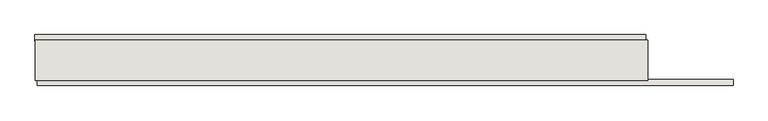
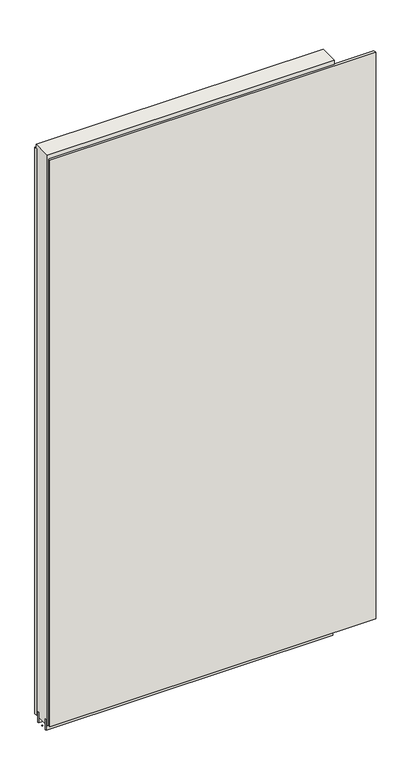
"""IFC4 building model written with IfcOpenShell, lengths in millimetres: wall geometry."""

from ifc_helpers import new_model, si_unit, frame, origin, place, context, project, spatial, polyline, outline, extrude, source, transform, mapped, element, save


def wall_6e6425ee(model_context):
    return source(origin(), model_context, "Body", "SweptSolid", [
        extrude(outline(polyline([(66737.4594382, -39414.4636398), (66739.9994382, -39414.4636398), (66739.9994382, -39417.0036398), (66737.4594382, -39417.0036398), (66737.4594382, -39414.4636398)])), frame((0.0, 0.0, 4419.6), z_axis=(0.0, 0.0, 1.0), x_axis=(1.0, 0.0, 0.0)), (0.0, 0.0, 1.0), 2.54),
        extrude(outline(polyline([(68126.0735393, -39466.5336398), (66741.9237295, -39466.5336398), (66741.9237295, -39453.8336398), (68126.0735393, -39453.8336398), (68126.0735393, -39466.5336398)])), frame((0.0, 0.0, 4445.0), z_axis=(0.0, 0.0, 1.0), x_axis=(1.0, 0.0, 0.0)), (0.0, 0.0, 1.0), 2545.0498756),
        extrude(outline(polyline([(66736.9901224, -39364.9336398), (67952.1901304, -39364.9336398), (67952.1901304, -39377.6336398), (66736.9901224, -39377.6336398), (66736.9901224, -39364.9336398)])), frame((0.0, 0.0, 4445.0), z_axis=(0.0, 0.0, 1.0), x_axis=(1.0, 0.0, 0.0)), (0.0, 0.0, 1.0), 2545.0498756),
        extrude(outline(polyline([(66737.4581936, -39440.8142856), (67956.6581936, -39440.8142856), (67956.6581936, -39445.8961398), (66737.4581936, -39445.8961398), (66737.4581936, -39440.8142856)])), frame((0.0, 0.0, 4418.6602), z_axis=(0.0, 0.0, 1.0), x_axis=(1.0, 0.0, 0.0)), (0.0, 0.0, 1.0), 47.625),
        extrude(outline(polyline([(66737.4581936, -39440.8142856), (67956.6581936, -39440.8142856), (67956.6581936, -39445.8961398), (66737.4581936, -39445.8961398), (66737.4581936, -39440.8142856)])), frame((0.0, 0.0, 4418.6602), z_axis=(0.0, 0.0, 1.0), x_axis=(1.0, 0.0, 0.0)), (0.0, 0.0, 1.0), 47.625),
        extrude(outline(polyline([(67956.6581936, -39390.6498952), (66737.4581936, -39390.6498952), (66737.4581936, -39385.5711398), (67956.6581936, -39385.5711398), (67956.6581936, -39390.6498952)])), frame((0.0, 0.0, 4418.6602), z_axis=(0.0, 0.0, 1.0), x_axis=(1.0, 0.0, 0.0)), (0.0, 0.0, 1.0), 47.625),
        extrude(outline(polyline([(67956.6581936, -39390.6498952), (66737.4581936, -39390.6498952), (66737.4581936, -39385.5711398), (67956.6581936, -39385.5711398), (67956.6581936, -39390.6498952)])), frame((0.0, 0.0, 4418.6602), z_axis=(0.0, 0.0, 1.0), x_axis=(1.0, 0.0, 0.0)), (0.0, 0.0, 1.0), 47.625),
        extrude(outline(polyline([(66737.4581936, -39456.3854254), (66737.4581936, -39375.10667), (67956.6581936, -39375.10667), (67956.6581936, -39456.3854254), (66737.4581936, -39456.3854254)])), frame((0.0, 0.0, 4445.0), z_axis=(0.0, 0.0, 1.0), x_axis=(1.0, 0.0, 0.0)), (0.0, 0.0, 1.0), 2562.4536762),
    ])


if __name__ == "__main__":
    model = new_model("IFC4")
    model_context = context("Model", 3, world=origin())
    ifc_project = project(units=[si_unit("LENGTHUNIT", "METRE", prefix="MILLI")], contexts=[model_context])
    site = spatial("IfcSite", under=ifc_project)
    building = spatial("IfcBuilding", under=site)
    placement = place(None, origin())
    wall_shape = wall_6e6425ee(model_context)
    element("IfcWall", 1, at=placement, inside=building, context=model_context, shape_type="MappedRepresentation", body=[
        mapped(wall_shape, transform((0.0, 0.0, 0.0), x_axis=(1.0, 0.0, 0.0), y_axis=(0.0, 1.0, 0.0), z_axis=(0.0, 0.0, 1.0))),
    ])
    save(model, "model.ifc")
